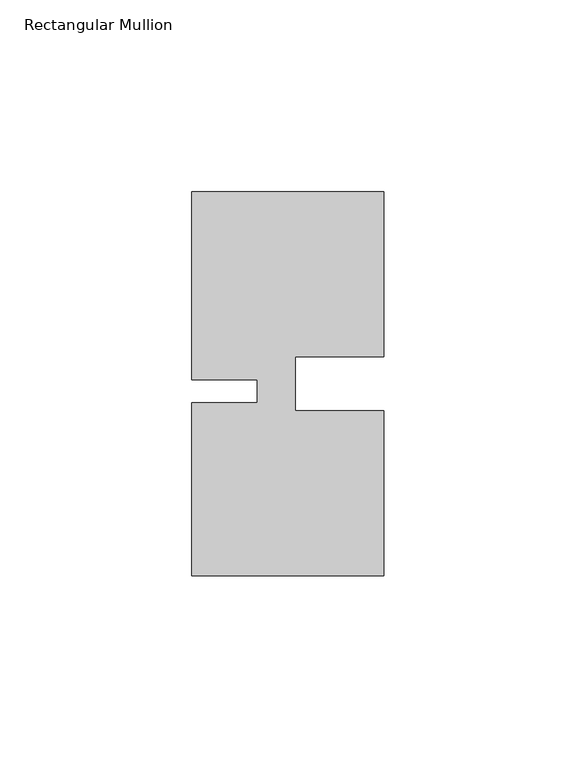
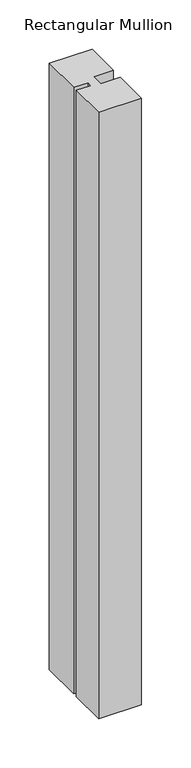
"""IFC4 building model written with IfcOpenShell, lengths in millimetres: member geometry, Rectangular Mullion."""

import ifcopenshell
import ifcopenshell.guid

model = None  # the IFC model being written
_history = None  # IfcOwnerHistory: only IFC2X3 demands one
_inside = {}  # id of a spatial element -> (the spatial element, [elements in it])
_under = {}  # id of a project, library or spatial element -> (it, [spatial elements below it])
_declared = {}  # id of a project -> (the project, [libraries it declares])
_typed = {}  # id of a type object -> (the type object, [elements of that type])
_made_of = {}  # id of a material, layer set ... -> (it, [elements and type objects made of it])


def new_model(schema):
    """Start an empty IFC model of exactly this schema.

    Asked for "IFC4X3", IfcOpenShell would pick the latest addendum, in which some entities
    have other attributes; the version numbers below select the first issue.
    IFC2X3 requires an IfcOwnerHistory on every rooted entity: one is made here for all.
    """
    global model, _history
    if schema == "IFC4X3":
        model = ifcopenshell.file(schema_version=(4, 3, 0, 0))
    else:
        model = ifcopenshell.file(schema=schema)
    _inside.clear()
    _under.clear()
    _declared.clear()
    _typed.clear()
    _made_of.clear()
    _history = None
    if model.schema == "IFC2X3":
        org = make("IfcOrganization", Name="unknown")
        user = make(
            "IfcPersonAndOrganization",
            ThePerson=make("IfcPerson", FamilyName="unknown"),
            TheOrganization=org,
        )
        app = make(
            "IfcApplication",
            ApplicationDeveloper=org,
            Version="unknown",
            ApplicationFullName="unknown",
            ApplicationIdentifier="unknown",
        )
        _history = make(
            "IfcOwnerHistory",
            OwningUser=user,
            OwningApplication=app,
            ChangeAction="ADDED",
            CreationDate=0,
        )
    return model


def make(cls, **values):
    """One entity of the class cls with the attributes given. An attribute that is None is left unset."""
    return model.create_entity(
        cls, **{name: value for name, value in values.items() if value is not None}
    )


def rooted(cls, **values):
    """An entity with a GlobalId (a new one), such as an element, a storey or a relation."""
    return make(cls, GlobalId=ifcopenshell.guid.new(), OwnerHistory=_history, **values)


def si_unit(unit_type, name, prefix=None):
    """IfcSIUnit, for example si_unit("LENGTHUNIT", "METRE", prefix="MILLI")."""
    return make("IfcSIUnit", UnitType=unit_type, Prefix=prefix, Name=name)


def assignment(units):
    """IfcUnitAssignment: the units of a project."""
    return None if units is None else make("IfcUnitAssignment", Units=units)


def point(xyz):
    """IfcCartesianPoint."""
    return None if xyz is None else make("IfcCartesianPoint", Coordinates=xyz)


def direction(xyz):
    """IfcDirection."""
    return None if xyz is None else make("IfcDirection", DirectionRatios=xyz)


def frame(location, z_axis=None, x_axis=None):
    """IfcAxis2Placement3D, a coordinate frame: its origin and axes. An axis left out is left unset."""
    return make(
        "IfcAxis2Placement3D",
        Location=point(location),
        Axis=direction(z_axis),
        RefDirection=direction(x_axis),
    )


def origin():
    """The frame at (0, 0, 0) with its axes left unset."""
    return frame((0.0, 0.0, 0.0))


def place(relative_to, where):
    """IfcLocalPlacement: puts the frame where relative to a parent placement (None: the world)."""
    return make(
        "IfcLocalPlacement", PlacementRelTo=relative_to, RelativePlacement=where
    )


def context(
    kind, dimensions, precision=None, world=None, true_north=None, identifier=None
):
    """IfcGeometricRepresentationContext, for example the 3D "Model" context."""
    return make(
        "IfcGeometricRepresentationContext",
        ContextIdentifier=identifier,
        ContextType=kind,
        CoordinateSpaceDimension=dimensions,
        Precision=precision,
        WorldCoordinateSystem=world,
        TrueNorth=true_north,
    )


def project(units=None, contexts=None):
    """IfcProject with its units and contexts."""
    return rooted(
        "IfcProject",
        Name="project",
        RepresentationContexts=contexts,
        UnitsInContext=assignment(units),
    )


def spatial(cls, under=None, at=None, **own):
    """A site, building, storey or space (cls), placed at a placement, below another one or the project."""
    s = rooted(cls, ObjectPlacement=at, **own)
    if under is not None:
        _under.setdefault(under.id(), (under, []))[1].append(s)
    return s


def polyline(points):
    """IfcPolyline through the points."""
    return make("IfcPolyline", Points=[point(p) for p in points])


def outline(outer, holes=None, kind="AREA"):
    """IfcArbitraryClosedProfileDef: a profile drawn as a closed curve; with holes, ...WithVoids."""
    if holes is None:
        return make("IfcArbitraryClosedProfileDef", ProfileType=kind, OuterCurve=outer)
    return make(
        "IfcArbitraryProfileDefWithVoids",
        ProfileType=kind,
        OuterCurve=outer,
        InnerCurves=holes,
    )


def extrude(swept, where, along, depth):
    """IfcExtrudedAreaSolid: the profile swept, set in the frame where, extruded along a direction by depth."""
    return make(
        "IfcExtrudedAreaSolid",
        SweptArea=swept,
        Position=where,
        ExtrudedDirection=direction(along),
        Depth=depth,
    )


def shape(context_of_items, identifier, shape_type, items):
    """IfcShapeRepresentation: the items that make up one representation, for example the "Body"."""
    return make(
        "IfcShapeRepresentation",
        ContextOfItems=context_of_items,
        RepresentationIdentifier=identifier,
        RepresentationType=shape_type,
        Items=items,
    )


def source(mapping_origin, context_of_items, identifier, shape_type, items):
    """IfcRepresentationMap: a shape defined once, which mapped items show again and again."""
    return make(
        "IfcRepresentationMap",
        MappingOrigin=mapping_origin,
        MappedRepresentation=shape(context_of_items, identifier, shape_type, items),
    )


def transform(
    local_origin,
    x_axis=None,
    y_axis=None,
    z_axis=None,
    scale=None,
    scale2=None,
    scale3=None,
    uniform=True,
):
    """IfcCartesianTransformationOperator3D, or its non-uniform kind. x_axis, y_axis, z_axis: its Axis1, 2, 3."""
    if uniform:
        return make(
            "IfcCartesianTransformationOperator3D",
            Axis1=direction(x_axis),
            Axis2=direction(y_axis),
            LocalOrigin=point(local_origin),
            Scale=scale,
            Axis3=direction(z_axis),
        )
    return make(
        "IfcCartesianTransformationOperator3DnonUniform",
        Axis1=direction(x_axis),
        Axis2=direction(y_axis),
        LocalOrigin=point(local_origin),
        Scale=scale,
        Axis3=direction(z_axis),
        Scale2=scale2,
        Scale3=scale3,
    )


def mapped(mapping_source, mapping_target):
    """IfcMappedItem: shows the shape of a source again, moved by a transform."""
    return make(
        "IfcMappedItem", MappingSource=mapping_source, MappingTarget=mapping_target
    )


def made_of(thing, what):
    """Note that an element or type object is made of a material, layer set ...; save() writes the relation."""
    if what is not None:
        _made_of.setdefault(what.id(), (what, []))[1].append(thing)
    return thing


def element(
    cls,
    number,
    at=None,
    inside=None,
    cuts=None,
    type_object=None,
    material=None,
    context=None,
    identifier="Body",
    shape_type=None,
    held_by="IfcProductDefinitionShape",
    body=None,
    shapes=None,
    **own,
):
    """One element of the class cls, such as IfcWall. Its Tag is "e" and its number.

    at: its placement. inside: the storey or other place that contains it. cuts: it is an
    opening in that element (IfcRelVoidsElement). A single representation is given by context,
    identifier, shape_type and body (its items); several are given by shapes. held_by: the class
    of the entity that holds the representations. save() writes the other relations.
    """
    e = rooted(cls, Tag="e%d" % number, ObjectPlacement=at, **own)
    if body is not None:
        shapes = [shape(context, identifier, shape_type, body)]
    if shapes is not None:
        e.Representation = make(held_by, Representations=shapes)
    if inside is not None:
        _inside.setdefault(inside.id(), (inside, []))[1].append(e)
    if cuts is not None:
        rooted(
            "IfcRelVoidsElement", RelatingBuildingElement=cuts, RelatedOpeningElement=e
        )
    if type_object is not None:
        _typed.setdefault(type_object.id(), (type_object, []))[1].append(e)
    return made_of(e, material)


def aggregate(whole, parts):
    """IfcRelAggregates: a whole, such as a stair, and the parts it consists of."""
    return rooted("IfcRelAggregates", RelatingObject=whole, RelatedObjects=parts)


def save(model, path):
    """Write the relations noted so far, then the file.

    IfcRelAggregates (storeys below a building ...), IfcRelContainedInSpatialStructure (elements
    in a storey), IfcRelDefinesByType, IfcRelAssociatesMaterial and IfcRelDeclares: one each for
    every whole, place, type object, material and project.
    """
    for whole, parts in _under.values():
        aggregate(whole, parts)
    for where, things in _inside.values():
        rooted(
            "IfcRelContainedInSpatialStructure",
            RelatedElements=things,
            RelatingStructure=where,
        )
    for kind, things in _typed.values():
        rooted("IfcRelDefinesByType", RelatedObjects=things, RelatingType=kind)
    for what, things in _made_of.values():
        rooted("IfcRelAssociatesMaterial", RelatedObjects=things, RelatingMaterial=what)
    for by, libraries in _declared.values():
        rooted("IfcRelDeclares", RelatingContext=by, RelatedDefinitions=libraries)
    model.write(path)


def rectangular_mullion_d1f73a70(model_context):
    return source(origin(), model_context, "Body", "SweptSolid", [
        extrude(outline(polyline([(-23.0000341, -5.000031), (-4.2e-06, -5.0000287), (0.0, -48.0000271), (-50.0, -48.000032), (-50.0000044, -3.000032), (-33.0004661, -3.0000303), (-33.0004667, 2.999987), (-50.000005, 2.9999853), (-50.0000098, 51.999968), (-3.44e-05, 51.999968), (-3.44e-05, 8.9999707), (-23.0000354, 8.9999684), (-23.0000341, -5.000031)])), frame((0.0, 0.0, -749.999978), z_axis=(0.0, 0.0, 1.0), x_axis=(1.0, 0.0, 0.0)), (0.0, 0.0, 1.0), 749.999978),
    ])


if __name__ == "__main__":
    model = new_model("IFC4")
    model_context = context("Model", 3, world=origin())
    ifc_project = project(units=[si_unit("LENGTHUNIT", "METRE", prefix="MILLI")], contexts=[model_context])
    site = spatial("IfcSite", under=ifc_project)
    building = spatial("IfcBuilding", under=site)
    placement = place(None, origin())
    rectangular_mullion_shape = rectangular_mullion_d1f73a70(model_context)
    element("IfcMember", 1, ObjectType="Rectangular Mullion", at=placement, inside=building, context=model_context, shape_type="MappedRepresentation", body=[
        mapped(rectangular_mullion_shape, transform((0.0, 0.0, 0.0), x_axis=(1.0, 0.0, 0.0), y_axis=(0.0, 1.0, 0.0), z_axis=(0.0, 0.0, 1.0))),
    ])
    save(model, "model.ifc")
